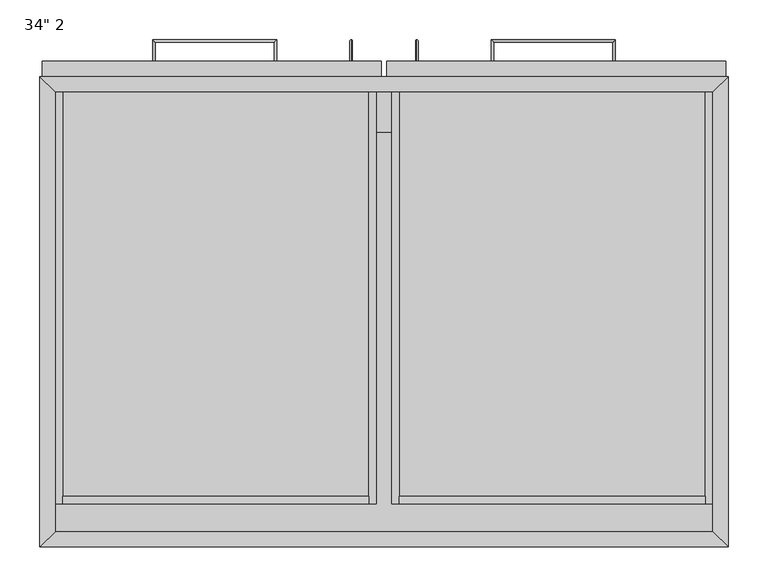
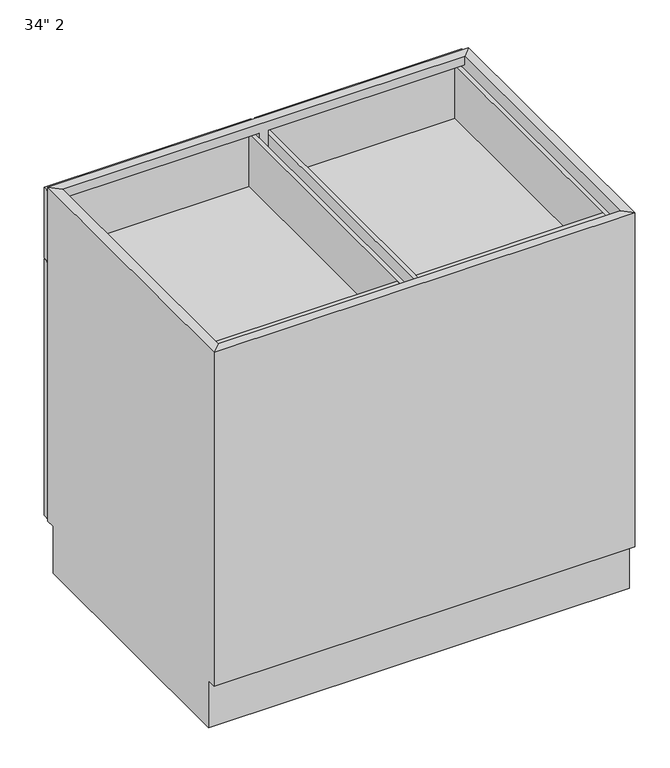
"""IFC4 building model written with IfcOpenShell, lengths in millimetres: furniture geometry."""

from ifc_helpers import new_model, si_unit, frame, origin, place, context, project, spatial, polyline, circle_curve, ellipse_curve, outline, extrude, faceted_brep, source, transform, mapped, element, save
from ifc_brep_helpers import plane_surface, cylinder_surface, advanced_brep


def furniture_ef8709d9(model_context):
    return source(origin(), model_context, "Body", "SolidModel", [
        extrude(outline(polyline([(-394.0122951, 520.7), (-394.0122951, 571.5), (431.4877049, 571.5), (431.4877049, 520.7), (-394.0122951, 520.7)])), frame((0.0, 0.0, 654.05), z_axis=(0.0, 0.0, 1.0), x_axis=(1.0, 0.0, 0.0)), (0.0, 0.0, 1.0), 19.05),
        extrude(outline(polyline([(431.4877049, 19.05), (-394.0122951, 19.05), (-394.0122951, 571.5), (431.4877049, 571.5), (431.4877049, 19.05)])), frame((0.0, 0.0, 101.6), z_axis=(0.0, 0.0, 1.0), x_axis=(1.0, 0.0, 0.0)), (0.0, 0.0, 1.0), 19.05),
        extrude(outline(polyline([(15.5627049, 609.6), (15.5627049, 590.55), (-409.8872951, 590.55), (-409.8872951, 609.6), (15.5627049, 609.6)])), frame((0.0, 0.0, 660.4), z_axis=(0.0, 0.0, 1.0), x_axis=(1.0, 0.0, 0.0)), (0.0, 0.0, 1.0), 152.4),
        extrude(outline(polyline([(447.3627049, 609.6), (447.3627049, 590.55), (21.9127049, 590.55), (21.9127049, 609.6), (447.3627049, 609.6)])), frame((0.0, 0.0, 660.4), z_axis=(0.0, 0.0, 1.0), x_axis=(1.0, 0.0, 0.0)), (0.0, 0.0, 1.0), 152.4),
        extrude(outline(polyline([(15.5627049, 609.6), (15.5627049, 590.55), (-409.8872951, 590.55), (-409.8872951, 609.6), (15.5627049, 609.6)])), frame((0.0, 0.0, 101.6), z_axis=(0.0, 0.0, 1.0), x_axis=(1.0, 0.0, 0.0)), (0.0, 0.0, 1.0), 555.625),
        extrude(outline(polyline([(447.3627049, 609.6), (447.3627049, 590.55), (21.9127049, 590.55), (21.9127049, 609.6), (447.3627049, 609.6)])), frame((0.0, 0.0, 101.6), z_axis=(0.0, 0.0, 1.0), x_axis=(1.0, 0.0, 0.0)), (0.0, 0.0, 1.0), 555.625),
        advanced_brep(
        [(-118.9787451, 609.6, 742.7699324), (-115.8037451, 609.6, 742.7699324), (-115.8037451, 636.5875, 742.7699324), (-118.9787451, 633.4125, 742.7699324), (-271.3787451, 636.5875, 742.7699324), (-268.2037451, 633.4125, 742.7699324), (-268.2037451, 609.6, 742.7699324), (-271.3787451, 609.6, 742.7699324)],
        [
            (0, 1, circle_curve(frame((-117.3912451, 609.6, 742.7699324), z_axis=(0.0, -1.0, 0.0), x_axis=(1.0, 0.0, 0.0)), 1.5875)),
            (1, 0, circle_curve(frame((-117.3912451, 609.6, 742.7699324), z_axis=(0.0, -1.0, 0.0), x_axis=(1.0, 0.0, 0.0)), 1.5875)),
            (1, 2),
            (2, 3, ellipse_curve(frame((-117.3912451, 635.0, 742.7699324), z_axis=(0.7071067811865475, -0.7071067811865475, 0.0), x_axis=(-0.7071067811865474, -0.7071067811865476, 0.0)), 2.245064, 1.5875)),
            (3, 0),
            (3, 2, ellipse_curve(frame((-117.3912451, 635.0, 742.7699324), z_axis=(0.7071067811865475, -0.7071067811865475, 0.0), x_axis=(-0.7071067811865474, -0.7071067811865476, 0.0)), 2.245064, 1.5875)),
            (2, 4),
            (4, 5, ellipse_curve(frame((-269.7912451, 635.0, 742.7699324), z_axis=(0.7071067811865475, 0.7071067811865475, 0.0), x_axis=(0.7071067811865476, -0.7071067811865474, 0.0)), 2.245064, 1.5875)),
            (5, 3),
            (5, 4, ellipse_curve(frame((-269.7912451, 635.0, 742.7699324), z_axis=(0.7071067811865475, 0.7071067811865475, 0.0), x_axis=(0.7071067811865476, -0.7071067811865474, 0.0)), 2.245064, 1.5875)),
            (6, 7, circle_curve(frame((-269.7912451, 609.6, 742.7699324), z_axis=(0.0, -1.0, 0.0), x_axis=(-1.0, 0.0, 0.0)), 1.5875)),
            (7, 6, circle_curve(frame((-269.7912451, 609.6, 742.7699324), z_axis=(0.0, -1.0, 0.0), x_axis=(-1.0, 0.0, 0.0)), 1.5875)),
            (4, 7),
            (6, 5),
        ],
        [
            plane_surface(frame((-117.3912451, 609.6, 742.7699324), z_axis=(0.0, -1.0, 0.0), x_axis=(0.0, 0.0, 1.0))),
            cylinder_surface(frame((-117.3912451, 609.6, 742.7699324), z_axis=(0.0, -1.0, 0.0), x_axis=(1.0, 0.0, 0.0)), 1.5875),
            cylinder_surface(frame((-117.3912451, 635.0, 742.7699324), z_axis=(1.0, 0.0, 0.0), x_axis=(0.0, 1.0, 0.0)), 1.5875),
            plane_surface(frame((-269.7912451, 609.6, 742.7699324), z_axis=(0.0, -1.0, 0.0), x_axis=(0.0, 0.0, 1.0))),
            cylinder_surface(frame((-269.7912451, 635.0, 742.7699324), z_axis=(0.0, 1.0, 0.0), x_axis=(-1.0, 0.0, 0.0)), 1.5875),
        ],
        [
            (0, [[1, 2]]),
            (1, [[3, 4, 5, -2]]),
            (1, [[-5, 6, -3, -1]]),
            (2, [[7, 8, 9, -4]]),
            (2, [[-9, 10, -7, -6]]),
            (3, [[11, 12]]),
            (4, [[13, -11, 14, -8]]),
            (4, [[-14, -12, -13, -10]]),
        ],
    ),
        advanced_brep(
        [(153.2791549, 609.6, 742.7699324), (156.4541549, 609.6, 742.7699324), (156.4541549, 633.4125, 742.7699324), (153.2791549, 636.5875, 742.7699324), (305.6791549, 633.4125, 742.7699324), (308.8541549, 636.5875, 742.7699324), (308.8541549, 609.6, 742.7699324), (305.6791549, 609.6, 742.7699324)],
        [
            (0, 1, circle_curve(frame((154.8666549, 609.6, 742.7699324), z_axis=(0.0, -1.0, 0.0), x_axis=(1.0, 0.0, 0.0)), 1.5875)),
            (1, 0, circle_curve(frame((154.8666549, 609.6, 742.7699324), z_axis=(0.0, -1.0, 0.0), x_axis=(1.0, 0.0, 0.0)), 1.5875)),
            (1, 2),
            (2, 3, ellipse_curve(frame((154.8666549, 635.0, 742.7699324), z_axis=(-0.7071067811865475, -0.7071067811865475, 0.0), x_axis=(0.7071067811865474, -0.7071067811865476, 0.0)), 2.245064, 1.5875)),
            (3, 0),
            (3, 2, ellipse_curve(frame((154.8666549, 635.0, 742.7699324), z_axis=(-0.7071067811865475, -0.7071067811865475, 0.0), x_axis=(0.7071067811865474, -0.7071067811865476, 0.0)), 2.245064, 1.5875)),
            (2, 4),
            (4, 5, ellipse_curve(frame((307.2666549, 635.0, 742.7699324), z_axis=(-0.7071067811865475, 0.7071067811865475, 0.0), x_axis=(-0.7071067811865476, -0.7071067811865474, 0.0)), 2.245064, 1.5875)),
            (5, 3),
            (5, 4, ellipse_curve(frame((307.2666549, 635.0, 742.7699324), z_axis=(-0.7071067811865475, 0.7071067811865475, 0.0), x_axis=(-0.7071067811865476, -0.7071067811865474, 0.0)), 2.245064, 1.5875)),
            (6, 7, circle_curve(frame((307.2666549, 609.6, 742.7699324), z_axis=(0.0, -1.0, 0.0), x_axis=(-1.0, 0.0, 0.0)), 1.5875)),
            (7, 6, circle_curve(frame((307.2666549, 609.6, 742.7699324), z_axis=(0.0, -1.0, 0.0), x_axis=(-1.0, 0.0, 0.0)), 1.5875)),
            (4, 7),
            (6, 5),
        ],
        [
            plane_surface(frame((154.8666549, 609.6, 742.7699324), z_axis=(0.0, -1.0, 0.0), x_axis=(0.0, 0.0, 1.0))),
            cylinder_surface(frame((154.8666549, 609.6, 742.7699324), z_axis=(0.0, -1.0, 0.0), x_axis=(1.0, 0.0, 0.0)), 1.5875),
            cylinder_surface(frame((154.8666549, 635.0, 742.7699324), z_axis=(-1.0, 0.0, 0.0), x_axis=(0.0, -1.0, 0.0)), 1.5875),
            plane_surface(frame((307.2666549, 609.6, 742.7699324), z_axis=(0.0, -1.0, 0.0), x_axis=(0.0, 0.0, 1.0))),
            cylinder_surface(frame((307.2666549, 635.0, 742.7699324), z_axis=(0.0, 1.0, 0.0), x_axis=(-1.0, 0.0, 0.0)), 1.5875),
        ],
        [
            (0, [[1, 2]]),
            (1, [[3, 4, 5, -2]]),
            (1, [[-5, 6, -3, -1]]),
            (2, [[7, 8, 9, -4]]),
            (2, [[-9, 10, -7, -6]]),
            (3, [[11, 12]]),
            (4, [[13, -11, 14, -8]]),
            (4, [[-14, -12, -13, -10]]),
        ],
    ),
        advanced_brep(
        [(-22.5139911, 609.6, 617.5375), (-22.5139911, 609.6, 620.7125), (-22.5139911, 636.5875, 620.7125), (-22.5139911, 633.4125, 617.5375), (-22.5139911, 636.5875, 442.9125), (-22.5139911, 633.4125, 446.0875), (-22.5139911, 609.6, 446.0875), (-22.5139911, 609.6, 442.9125)],
        [
            (0, 1, circle_curve(frame((-22.5139911, 609.6, 619.125), z_axis=(0.0, -1.0, 0.0), x_axis=(0.0, 0.0, 1.0)), 1.5875)),
            (1, 0, circle_curve(frame((-22.5139911, 609.6, 619.125), z_axis=(0.0, -1.0, 0.0), x_axis=(0.0, 0.0, 1.0)), 1.5875)),
            (1, 2),
            (2, 3, ellipse_curve(frame((-22.5139911, 635.0, 619.125), z_axis=(0.0, -0.7071067811865475, 0.7071067811865475), x_axis=(0.0, -0.7071067811865476, -0.7071067811865474)), 2.245064, 1.5875)),
            (3, 0),
            (3, 2, ellipse_curve(frame((-22.5139911, 635.0, 619.125), z_axis=(0.0, -0.7071067811865475, 0.7071067811865475), x_axis=(0.0, -0.7071067811865476, -0.7071067811865474)), 2.245064, 1.5875)),
            (2, 4),
            (4, 5, ellipse_curve(frame((-22.5139911, 635.0, 444.5), z_axis=(0.0, 0.7071067811865475, 0.7071067811865475), x_axis=(0.0, -0.7071067811865474, 0.7071067811865476)), 2.245064, 1.5875)),
            (5, 3),
            (5, 4, ellipse_curve(frame((-22.5139911, 635.0, 444.5), z_axis=(0.0, 0.7071067811865475, 0.7071067811865475), x_axis=(0.0, -0.7071067811865474, 0.7071067811865476)), 2.245064, 1.5875)),
            (6, 7, circle_curve(frame((-22.5139911, 609.6, 444.5), z_axis=(0.0, -1.0, 0.0), x_axis=(0.0, 0.0, -1.0)), 1.5875)),
            (7, 6, circle_curve(frame((-22.5139911, 609.6, 444.5), z_axis=(0.0, -1.0, 0.0), x_axis=(0.0, 0.0, -1.0)), 1.5875)),
            (4, 7),
            (6, 5),
        ],
        [
            plane_surface(frame((-22.5139911, 609.6, 619.125), z_axis=(0.0, -1.0, 0.0), x_axis=(-1.0, 0.0, 0.0))),
            cylinder_surface(frame((-22.5139911, 609.6, 619.125), z_axis=(0.0, -1.0, 0.0), x_axis=(0.0, 0.0, 1.0)), 1.5875),
            cylinder_surface(frame((-22.5139911, 635.0, 619.125), z_axis=(0.0, 0.0, 1.0), x_axis=(0.0, 1.0, 0.0)), 1.5875),
            plane_surface(frame((-22.5139911, 609.6, 444.5), z_axis=(0.0, -1.0, 0.0), x_axis=(-1.0, 0.0, 0.0))),
            cylinder_surface(frame((-22.5139911, 635.0, 444.5), z_axis=(0.0, 1.0, 0.0), x_axis=(0.0, 0.0, -1.0)), 1.5875),
        ],
        [
            (0, [[1, 2]]),
            (1, [[3, 4, 5, -2]]),
            (1, [[-5, 6, -3, -1]]),
            (2, [[7, 8, 9, -4]]),
            (2, [[-9, 10, -7, -6]]),
            (3, [[11, 12]]),
            (4, [[13, -11, 14, -8]]),
            (4, [[-14, -12, -13, -10]]),
        ],
    ),
        advanced_brep(
        [(59.9894009, 609.6, 620.7125), (59.9894009, 609.6, 617.5375), (59.9894009, 633.4125, 617.5375), (59.9894009, 636.5875, 620.7125), (59.9894009, 633.4125, 446.0875), (59.9894009, 636.5875, 442.9125), (59.9894009, 609.6, 442.9125), (59.9894009, 609.6, 446.0875)],
        [
            (0, 1, circle_curve(frame((59.9894009, 609.6, 619.125), z_axis=(0.0, -1.0, 0.0), x_axis=(0.0, 0.0, -1.0)), 1.5875)),
            (1, 0, circle_curve(frame((59.9894009, 609.6, 619.125), z_axis=(0.0, -1.0, 0.0), x_axis=(0.0, 0.0, -1.0)), 1.5875)),
            (1, 2),
            (2, 3, ellipse_curve(frame((59.9894009, 635.0, 619.125), z_axis=(0.0, -0.7071067811865475, 0.7071067811865475), x_axis=(0.0, -0.7071067811865476, -0.7071067811865474)), 2.245064, 1.5875)),
            (3, 0),
            (3, 2, ellipse_curve(frame((59.9894009, 635.0, 619.125), z_axis=(0.0, -0.7071067811865475, 0.7071067811865475), x_axis=(0.0, -0.7071067811865476, -0.7071067811865474)), 2.245064, 1.5875)),
            (2, 4),
            (4, 5, ellipse_curve(frame((59.9894009, 635.0, 444.5), z_axis=(0.0, 0.7071067811865475, 0.7071067811865475), x_axis=(0.0, -0.7071067811865474, 0.7071067811865476)), 2.245064, 1.5875)),
            (5, 3),
            (5, 4, ellipse_curve(frame((59.9894009, 635.0, 444.5), z_axis=(0.0, 0.7071067811865475, 0.7071067811865475), x_axis=(0.0, -0.7071067811865474, 0.7071067811865476)), 2.245064, 1.5875)),
            (6, 7, circle_curve(frame((59.9894009, 609.6, 444.5), z_axis=(0.0, -1.0, 0.0), x_axis=(0.0, 0.0, 1.0)), 1.5875)),
            (7, 6, circle_curve(frame((59.9894009, 609.6, 444.5), z_axis=(0.0, -1.0, 0.0), x_axis=(0.0, 0.0, 1.0)), 1.5875)),
            (4, 7),
            (6, 5),
        ],
        [
            plane_surface(frame((59.9894009, 609.6, 619.125), z_axis=(0.0, -1.0, 0.0), x_axis=(1.0, 0.0, 0.0))),
            cylinder_surface(frame((59.9894009, 609.6, 619.125), z_axis=(0.0, -1.0, 0.0), x_axis=(0.0, 0.0, -1.0)), 1.5875),
            cylinder_surface(frame((59.9894009, 635.0, 619.125), z_axis=(0.0, 0.0, 1.0), x_axis=(0.0, -1.0, 0.0)), 1.5875),
            plane_surface(frame((59.9894009, 609.6, 444.5), z_axis=(0.0, -1.0, 0.0), x_axis=(1.0, 0.0, 0.0))),
            cylinder_surface(frame((59.9894009, 635.0, 444.5), z_axis=(0.0, 1.0, 0.0), x_axis=(0.0, 0.0, 1.0)), 1.5875),
        ],
        [
            (0, [[1, 2]]),
            (1, [[3, 4, 5, -2]]),
            (1, [[-5, 6, -3, -1]]),
            (2, [[7, 8, 9, -4]]),
            (2, [[-9, 10, -7, -6]]),
            (3, [[11, 12]]),
            (4, [[13, -11, 14, -8]]),
            (4, [[-14, -12, -13, -10]]),
        ],
    ),
        faceted_brep([(431.4877049, 571.5, 101.6), (431.4877049, 571.5, 120.65), (28.2627049, 571.5, 120.65), (28.2627049, 571.5, 650.875), (431.4877049, 571.5, 650.875), (431.4877049, 571.5, 666.75), (28.2627049, 571.5, 666.75), (28.2627049, 571.5, 806.45), (431.4877049, 571.5, 806.45), (431.4877049, 571.5, 825.5), (-394.0122951, 571.5, 825.5), (-394.0122951, 571.5, 806.45), (9.2127049, 571.5, 806.45), (9.2127049, 571.5, 666.75), (-394.0122951, 571.5, 666.75), (-394.0122951, 571.5, 650.875), (9.2127049, 571.5, 650.875), (9.2127049, 571.5, 120.65), (-394.0122951, 571.5, 120.65), (-394.0122951, 571.5, 101.6), (450.5377049, 590.55, 825.5), (-413.0622951, 590.55, 825.5), (450.5377049, 590.55, 101.6), (-413.0622951, 590.55, 101.6), (28.2627049, 590.55, 666.75), (431.4877049, 590.55, 666.75), (431.4877049, 590.55, 806.45), (28.2627049, 590.55, 806.45), (-394.0122951, 590.55, 666.75), (9.2127049, 590.55, 666.75), (9.2127049, 590.55, 806.45), (-394.0122951, 590.55, 806.45), (28.2627049, 590.55, 120.65), (431.4877049, 590.55, 120.65), (431.4877049, 590.55, 650.875), (28.2627049, 590.55, 650.875), (-394.0122951, 590.55, 120.65), (9.2127049, 590.55, 120.65), (9.2127049, 590.55, 650.875), (-394.0122951, 590.55, 650.875), (-394.0122951, 19.05, 101.6), (-394.0122951, 19.05, 825.5), (-413.0622951, 0.0, 825.5), (-413.0622951, 571.5, 101.6), (-413.0622951, 571.5, 0.0), (-413.0622951, 19.05, 0.0), (-413.0622951, 19.05, 101.6), (-413.0622951, 0.0, 101.6), (431.4877049, 19.05, 825.5), (431.4877049, 19.05, 101.6), (450.5377049, 0.0, 825.5), (450.5377049, 0.0, 101.6), (450.5377049, 19.05, 101.6), (450.5377049, 19.05, 0.0), (450.5377049, 571.5, 0.0), (450.5377049, 571.5, 101.6)], [[[0, 1, 2, 3, 4, 5, 6, 7, 8, 9, 10, 11, 12, 13, 14, 15, 16, 17, 18, 19]], [[9, 20, 21, 10]], [[20, 22, 23, 21], [24, 25, 26, 27], [28, 29, 30, 31], [32, 33, 34, 35], [36, 37, 38, 39]], [[19, 23, 22, 0]], [[40, 19, 18, 36, 39, 15, 14, 28, 31, 11, 10, 41]], [[21, 42, 41, 10]], [[23, 43, 44, 45, 46, 47, 42, 21]], [[19, 43, 23]], [[47, 46, 40]], [[41, 48, 49, 40]], [[42, 50, 48, 41]], [[47, 51, 50, 42]], [[40, 49, 51, 47]], [[48, 9, 8, 26, 25, 5, 4, 34, 33, 1, 0, 49]], [[9, 48, 50, 20]], [[20, 50, 51, 52, 53, 54, 55, 22]], [[22, 55, 0]], [[49, 52, 51]], [[19, 40, 49, 0]], [[53, 45, 44, 54]], [[53, 52, 49, 40, 46, 45]], [[44, 43, 19, 0, 55, 54]], [[24, 27, 7, 6]], [[6, 5, 25, 24]], [[27, 26, 8, 7]], [[14, 13, 29, 28]], [[13, 12, 30, 29]], [[31, 30, 12, 11]], [[32, 35, 3, 2]], [[2, 1, 33, 32]], [[35, 34, 4, 3]], [[18, 17, 37, 36]], [[17, 16, 38, 37]], [[39, 38, 16, 15]]]),
        extrude(outline(polyline([(431.4877049, 19.05), (-394.0122951, 19.05), (-394.0122951, 587.375), (431.4877049, 587.375), (431.4877049, 19.05)])), frame((0.0, 0.0, 477.8037229), z_axis=(0.0, 0.0, 1.0), x_axis=(1.0, 0.0, 0.0)), (0.0, 0.0, 1.0), 19.05),
        extrude(outline(polyline([(431.4877049, 19.05), (-394.0122951, 19.05), (-394.0122951, 587.375), (431.4877049, 587.375), (431.4877049, 19.05)])), frame((0.0, 0.0, 300.0037229), z_axis=(0.0, 0.0, 1.0), x_axis=(1.0, 0.0, 0.0)), (0.0, 0.0, 1.0), 19.05),
        extrude(outline(polyline([(421.9627049, 53.975), (37.7877049, 53.975), (37.7877049, 63.5), (421.9627049, 63.5), (421.9627049, 53.975)])), frame((0.0, 0.0, 682.625), z_axis=(0.0, 0.0, 1.0), x_axis=(1.0, 0.0, 0.0)), (0.0, 0.0, 1.0), 114.3),
        extrude(outline(polyline([(-0.3122951, 53.975), (-384.4872951, 53.975), (-384.4872951, 63.5), (-0.3122951, 63.5), (-0.3122951, 53.975)])), frame((0.0, 0.0, 682.625), z_axis=(0.0, 0.0, 1.0), x_axis=(1.0, 0.0, 0.0)), (0.0, 0.0, 1.0), 114.3),
        extrude(outline(polyline([(673.1, 28.2627049), (673.1, 431.4877049), (796.925, 431.4877049), (796.925, 421.9627049), (682.625, 421.9627049), (682.625, 37.7877049), (796.925, 37.7877049), (796.925, 28.2627049), (673.1, 28.2627049)])), frame((0.0, 53.975, 0.0), z_axis=(0.0, 1.0, 0.0), x_axis=(0.0, 0.0, 1.0)), (0.0, 0.0, 1.0), 536.575),
        extrude(outline(polyline([(673.1, -394.0122951), (673.1, 9.2127049), (796.925, 9.2127049), (796.925, -0.3122951), (682.625, -0.3122951), (682.625, -384.4872951), (796.925, -384.4872951), (796.925, -394.0122951), (673.1, -394.0122951)])), frame((0.0, 53.975, 0.0), z_axis=(0.0, 1.0, 0.0), x_axis=(0.0, 0.0, 1.0)), (0.0, 0.0, 1.0), 536.575),
    ])


if __name__ == "__main__":
    model = new_model("IFC4")
    model_context = context("Model", 3, world=origin())
    ifc_project = project(units=[si_unit("LENGTHUNIT", "METRE", prefix="MILLI")], contexts=[model_context])
    site = spatial("IfcSite", under=ifc_project)
    building = spatial("IfcBuilding", under=site)
    placement = place(None, origin())
    furniture_shape = furniture_ef8709d9(model_context)
    element("IfcFurniture", 1, ObjectType="34\" 2", at=placement, inside=building, context=model_context, shape_type="MappedRepresentation", body=[
        mapped(furniture_shape, transform((0.0, 0.0, 0.0), x_axis=(1.0, 0.0, 0.0), y_axis=(0.0, 1.0, 0.0), z_axis=(0.0, 0.0, 1.0))),
    ])
    save(model, "model.ifc")
